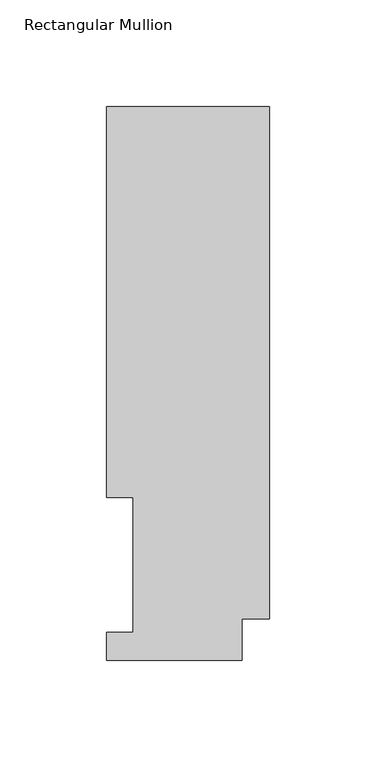
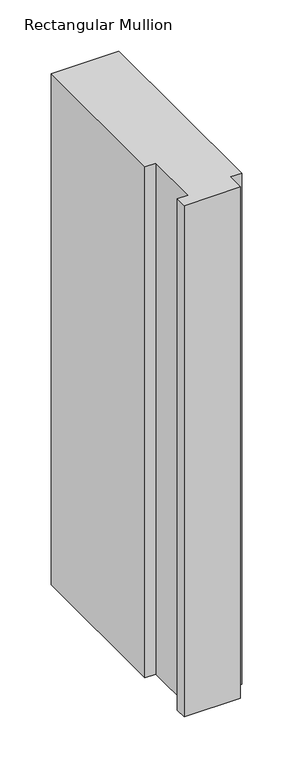
"""IFC4 building model written with IfcOpenShell, lengths in millimetres: member geometry, Rectangular Mullion."""

from ifc_helpers import new_model, si_unit, frame, origin, place, context, project, spatial, polyline, outline, extrude, source, transform, mapped, element, save


def rectangular_mullion_7a98a941(model_context):
    return source(origin(), model_context, "Body", "SweptSolid", [
        extrude(outline(polyline([(0.0, 19.5088257), (-12.7, 19.5088257), (-12.7, -0.0333811), (-76.2, -0.0333811), (-76.2, 13.1492189), (-63.8581605, 13.1492189), (-63.8581605, 76.2992188), (-76.2, 76.2992188), (-76.2, 259.4586188), (0.0, 259.4586188), (0.0, 19.5088257)])), frame((0.0, 0.0, -609.6), z_axis=(0.0, 0.0, 1.0), x_axis=(1.0, 0.0, 0.0)), (0.0, 0.0, 1.0), 609.6),
    ])


if __name__ == "__main__":
    model = new_model("IFC4")
    model_context = context("Model", 3, world=origin())
    ifc_project = project(units=[si_unit("LENGTHUNIT", "METRE", prefix="MILLI")], contexts=[model_context])
    site = spatial("IfcSite", under=ifc_project)
    building = spatial("IfcBuilding", under=site)
    placement = place(None, origin())
    rectangular_mullion_shape = rectangular_mullion_7a98a941(model_context)
    element("IfcMember", 1, ObjectType="Rectangular Mullion", at=placement, inside=building, context=model_context, shape_type="MappedRepresentation", body=[
        mapped(rectangular_mullion_shape, transform((0.0, 0.0, 0.0), x_axis=(1.0, 0.0, 0.0), y_axis=(0.0, 1.0, 0.0), z_axis=(0.0, 0.0, 1.0))),
    ])
    save(model, "model.ifc")
